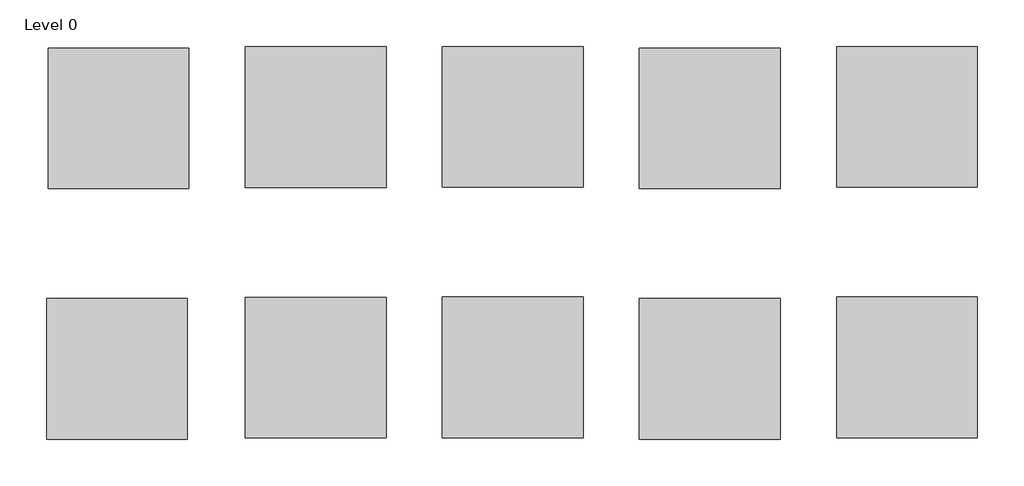
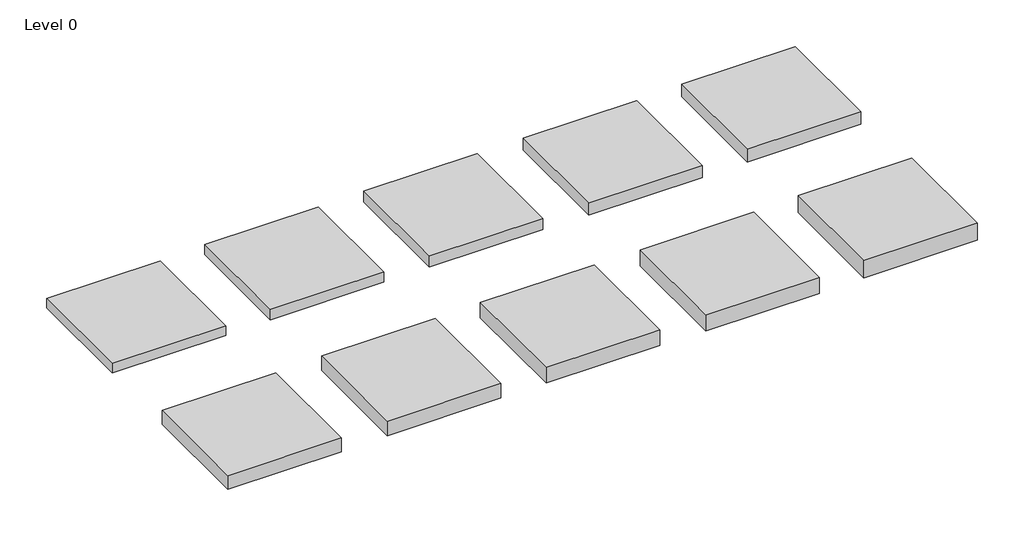
# One storey: 10 proxies.
"""IFC4 building model written with IfcOpenShell, lengths in millimetres."""

from ifc_helpers import new_model, si_unit, origin, origin_with_axes, place, context, project, spatial, polyline, outline, extrude, element, save

model = new_model("IFC4")

# Units and contexts
model_context = context("Model", 3, world=origin())
ifc_project = project(units=[si_unit("LENGTHUNIT", "METRE", prefix="MILLI")], contexts=[model_context])

# Site, building, storey
site = spatial("IfcSite", under=ifc_project)
building = spatial("IfcBuilding", under=site)
storey = spatial("IfcBuildingStorey", under=building, Name="Level 0", Elevation=0.0)

# Proxies
placement = place(None, origin())
element("IfcBuildingElementProxy", 1, Name="Building Element Proxy", at=placement, inside=storey, context=model_context, shape_type="SweptSolid", body=[
    extrude(outline(polyline([(-10578.3784861, 1964.029343), (-10578.3784861, 4464.029343), (-8078.3784861, 4464.029343), (-8078.3784861, 1964.029343), (-10578.3784861, 1964.029343)])), origin_with_axes(), (0.0, 0.0, 1.0), 218.6),
])
element("IfcBuildingElementProxy", 2, Name="Building Element Proxy", at=placement, inside=storey, context=model_context, shape_type="SweptSolid", body=[
    extrude(outline(polyline([(-7078.3784861, 1987.6360741), (-7078.3784861, 4487.6360741), (-4578.3784861, 4487.6360741), (-4578.3784861, 1987.6360741), (-7078.3784861, 1987.6360741)])), origin_with_axes(), (0.0, 0.0, 1.0), 238.6),
])
element("IfcBuildingElementProxy", 3, Name="Building Element Proxy", at=placement, inside=storey, context=model_context, shape_type="SweptSolid", body=[
    extrude(outline(polyline([(-3578.3784861, 1991.1770838), (-3578.3784861, 4491.1770838), (-1078.3784861, 4491.1770838), (-1078.3784861, 1991.1770838), (-3578.3784861, 1991.1770838)])), origin_with_axes(), (0.0, 0.0, 1.0), 258.6),
])
element("IfcBuildingElementProxy", 4, Name="Building Element Proxy", at=placement, inside=storey, context=model_context, shape_type="SweptSolid", body=[
    extrude(outline(polyline([(-78.3784861, 1964.029343), (-78.3784861, 4464.029343), (2421.6215139, 4464.029343), (2421.6215139, 1964.029343), (-78.3784861, 1964.029343)])), origin_with_axes(), (0.0, 0.0, 1.0), 278.6),
])
element("IfcBuildingElementProxy", 5, Name="Building Element Proxy", at=placement, inside=storey, context=model_context, shape_type="SweptSolid", body=[
    extrude(outline(polyline([(3421.6215139, 1991.1770838), (3421.6215139, 4491.1770838), (5921.6215139, 4491.1770838), (5921.6215139, 1991.1770838), (3421.6215139, 1991.1770838)])), origin_with_axes(), (0.0, 0.0, 1.0), 298.6),
])
element("IfcBuildingElementProxy", 6, Name="Building Element Proxy", at=placement, inside=storey, context=model_context, shape_type="SweptSolid", body=[
    extrude(outline(polyline([(-10605.5262269, -2488.2001503), (-10605.5262269, 11.7998497), (-8105.5262269, 11.7998497), (-8105.5262269, -2488.2001503), (-10605.5262269, -2488.2001503)])), origin_with_axes(), (0.0, 0.0, 1.0), 318.6),
])
element("IfcBuildingElementProxy", 7, Name="Building Element Proxy", at=placement, inside=storey, context=model_context, shape_type="SweptSolid", body=[
    extrude(outline(polyline([(-7078.3784861, -2464.5934192), (-7078.3784861, 35.4065808), (-4578.3784861, 35.4065808), (-4578.3784861, -2464.5934192), (-7078.3784861, -2464.5934192)])), origin_with_axes(), (0.0, 0.0, 1.0), 338.6),
])
element("IfcBuildingElementProxy", 8, Name="Building Element Proxy", at=placement, inside=storey, context=model_context, shape_type="SweptSolid", body=[
    extrude(outline(polyline([(-3578.3784861, -2461.0524095), (-3578.3784861, 38.9475905), (-1078.3784861, 38.9475905), (-1078.3784861, -2461.0524095), (-3578.3784861, -2461.0524095)])), origin_with_axes(), (0.0, 0.0, 1.0), 358.6),
])
element("IfcBuildingElementProxy", 9, Name="Building Element Proxy", at=placement, inside=storey, context=model_context, shape_type="SweptSolid", body=[
    extrude(outline(polyline([(-78.3784861, -2488.2001503), (-78.3784861, 11.7998497), (2421.6215139, 11.7998497), (2421.6215139, -2488.2001503), (-78.3784861, -2488.2001503)])), origin_with_axes(), (0.0, 0.0, 1.0), 378.6),
])
element("IfcBuildingElementProxy", 10, Name="Building Element Proxy", at=placement, inside=storey, context=model_context, shape_type="SweptSolid", body=[
    extrude(outline(polyline([(3421.6215139, -2461.0524095), (3421.6215139, 38.9475905), (5921.6215139, 38.9475905), (5921.6215139, -2461.0524095), (3421.6215139, -2461.0524095)])), origin_with_axes(), (0.0, 0.0, 1.0), 398.6),
])

save(model, "model.ifc")
